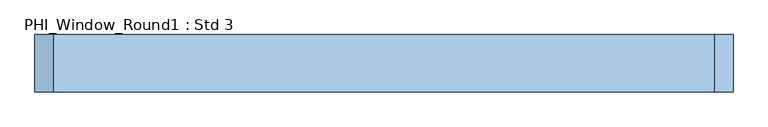
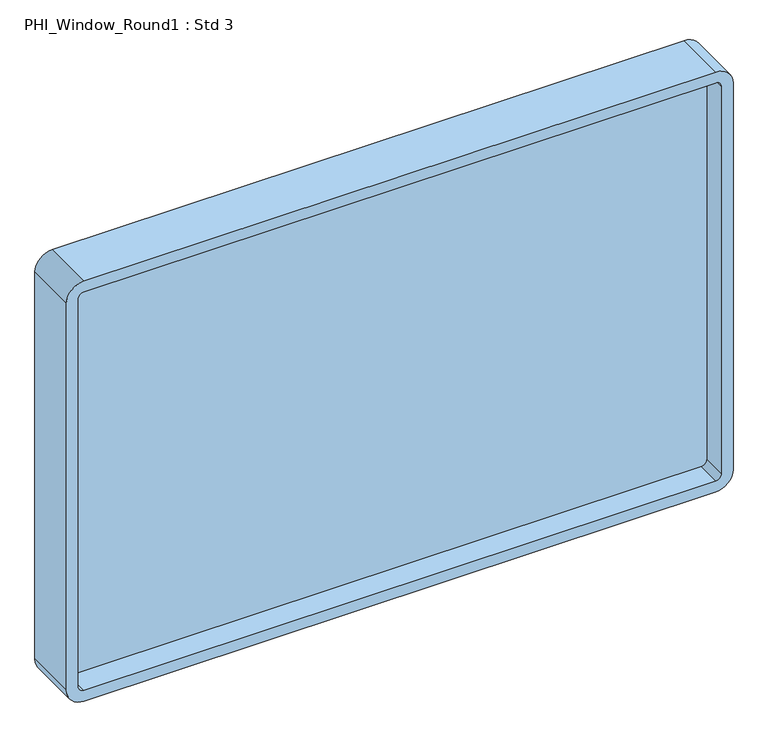
"""IFC4 building model written with IfcOpenShell, lengths in millimetres: window geometry, PHI_Window_Round1 : Std 3."""

from ifc_helpers import new_model, si_unit, point, frame, frame_2d, origin, place, context, project, spatial, polyline, circle_curve, trimmed, segment, composite_curve, outline, extrude, source, transform, mapped, element, save


def phi_window_round1_std_3_a97e8d92(model_context):
    return source(origin(), model_context, "Body", "SweptSolid", [
        extrude(outline(composite_curve([segment(polyline([(2134.2, 866.4), (2134.2, -866.4)]), True, "CONTINUOUS"), segment(trimmed(circle_curve(frame_2d((2086.2, -866.4)), 48.0), [point((2134.2, -866.4))], [point((2086.2, -914.4))], False, "CARTESIAN"), True, "CONTINUOUS"), segment(polyline([(2086.2, -914.4), (963.0, -914.4)]), True, "CONTINUOUS"), segment(trimmed(circle_curve(frame_2d((963.0, -866.4)), 48.0), [point((963.0, -914.4))], [point((915.0, -866.4))], False, "CARTESIAN"), True, "CONTINUOUS"), segment(polyline([(915.0, -866.4), (915.0, 866.4)]), True, "CONTINUOUS"), segment(trimmed(circle_curve(frame_2d((963.0, 866.4)), 48.0), [point((915.0, 866.4))], [point((963.0, 914.4))], False, "CARTESIAN"), True, "CONTINUOUS"), segment(polyline([(963.0, 914.4), (2086.2, 914.4)]), True, "CONTINUOUS"), segment(trimmed(circle_curve(frame_2d((2086.2, 866.4)), 48.0), [point((2086.2, 914.4))], [point((2134.2, 866.4))], False, "CARTESIAN"), True, "CONTINUOUS")], self_intersect=False), holes=[composite_curve([segment(polyline([(963.0, -882.4), (2086.2, -882.4)]), True, "CONTINUOUS"), segment(trimmed(circle_curve(frame_2d((2086.2, -866.4)), 16.0), [point((2086.2, -882.4))], [point((2102.2, -866.4))], True, "CARTESIAN"), True, "CONTINUOUS"), segment(polyline([(2102.2, -866.4), (2102.2, 866.4)]), True, "CONTINUOUS"), segment(trimmed(circle_curve(frame_2d((2086.2, 866.4)), 16.0), [point((2102.2, 866.4))], [point((2086.2, 882.4))], True, "CARTESIAN"), True, "CONTINUOUS"), segment(polyline([(2086.2, 882.4), (963.0, 882.4)]), True, "CONTINUOUS"), segment(trimmed(circle_curve(frame_2d((963.0, 866.4)), 16.0), [point((963.0, 882.4))], [point((947.0, 866.4))], True, "CARTESIAN"), True, "CONTINUOUS"), segment(polyline([(947.0, 866.4), (947.0, -866.4)]), True, "CONTINUOUS"), segment(trimmed(circle_curve(frame_2d((963.0, -866.4)), 16.0), [point((947.0, -866.4))], [point((963.0, -882.4))], True, "CARTESIAN"), True, "CONTINUOUS")], self_intersect=False)]), frame((0.0, -62.0, 0.0), z_axis=(0.0, 1.0, 0.0), x_axis=(0.0, 0.0, 1.0)), (0.0, 0.0, 1.0), 150.0),
        extrude(outline(polyline([(-895.4, 19.0), (895.4, 19.0), (895.4, 7.0), (-895.4, 7.0), (-895.4, 19.0)])), frame((0.0, 0.0, 934.0), z_axis=(0.0, 0.0, 1.0), x_axis=(1.0, 0.0, 0.0)), (0.0, 0.0, 1.0), 1181.2),
    ])


if __name__ == "__main__":
    model = new_model("IFC4")
    model_context = context("Model", 3, world=origin())
    ifc_project = project(units=[si_unit("LENGTHUNIT", "METRE", prefix="MILLI")], contexts=[model_context])
    site = spatial("IfcSite", under=ifc_project)
    building = spatial("IfcBuilding", under=site)
    placement = place(None, origin())
    phi_window_round1_std_3_shape = phi_window_round1_std_3_a97e8d92(model_context)
    element("IfcWindow", 1, ObjectType="PHI_Window_Round1 : Std 3", at=placement, inside=building, context=model_context, shape_type="MappedRepresentation", body=[
        mapped(phi_window_round1_std_3_shape, transform((0.0, 0.0, 0.0), x_axis=(1.0, 0.0, 0.0), y_axis=(0.0, 1.0, 0.0), z_axis=(0.0, 0.0, 1.0))),
    ])
    save(model, "model.ifc")
